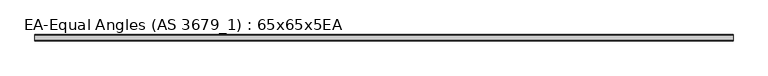
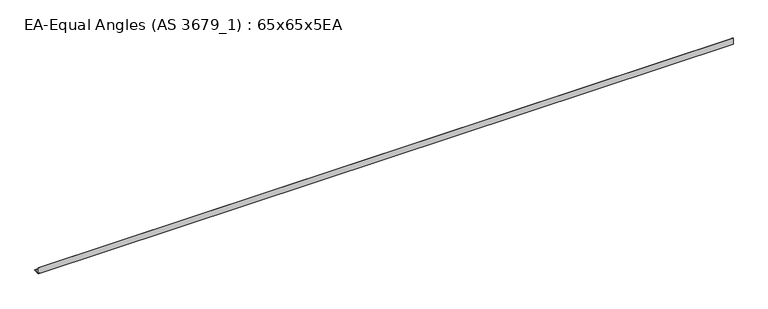
"""IFC4 building model written with IfcOpenShell, lengths in millimetres: beam geometry, EA-Equal Angles (AS 3679_1) : 65x65x5EA."""

from ifc_helpers import new_model, si_unit, point, frame, frame_2d, origin, place, context, project, spatial, polyline, circle_curve, trimmed, segment, composite_curve, outline, extrude, source, transform, mapped, element, save


def ea_equal_angles_as_3679_1_65x65x5ea_b39ffe6c(model_context):
    return source(origin(), model_context, "Body", "SweptSolid", [
        extrude(outline(composite_curve([segment(polyline([(-17.7, -17.7), (-17.7, 47.3), (-15.7, 47.3)]), True, "CONTINUOUS"), segment(trimmed(circle_curve(frame_2d((-15.7, 44.3)), 3.0), [point((-15.7, 47.3))], [point((-12.7, 44.3))], False, "CARTESIAN"), True, "CONTINUOUS"), segment(polyline([(-12.7, 44.3), (-12.7, -6.7)]), True, "CONTINUOUS"), segment(trimmed(circle_curve(frame_2d((-6.7, -6.7)), 6.0), [point((-12.7, -6.7))], [point((-6.7, -12.7))], True, "CARTESIAN"), True, "CONTINUOUS"), segment(polyline([(-6.7, -12.7), (44.3, -12.7)]), True, "CONTINUOUS"), segment(trimmed(circle_curve(frame_2d((44.3, -15.7)), 3.0), [point((44.3, -12.7))], [point((47.3, -15.7))], False, "CARTESIAN"), True, "CONTINUOUS"), segment(polyline([(47.3, -15.7), (47.3, -17.7), (-17.7, -17.7)]), True, "CONTINUOUS")], self_intersect=False)), frame((-3654.15, 0.0, 0.0), z_axis=(1.0, 0.0, 0.0), x_axis=(0.0, 1.0, 0.0)), (0.0, 0.0, 1.0), 7294.3),
    ])


if __name__ == "__main__":
    model = new_model("IFC4")
    model_context = context("Model", 3, world=origin())
    ifc_project = project(units=[si_unit("LENGTHUNIT", "METRE", prefix="MILLI")], contexts=[model_context])
    site = spatial("IfcSite", under=ifc_project)
    building = spatial("IfcBuilding", under=site)
    placement = place(None, origin())
    ea_equal_angles_as_3679_1_65x65x5ea_shape = ea_equal_angles_as_3679_1_65x65x5ea_b39ffe6c(model_context)
    element("IfcBeam", 1, ObjectType="EA-Equal Angles (AS 3679_1) : 65x65x5EA", at=placement, inside=building, context=model_context, shape_type="MappedRepresentation", body=[
        mapped(ea_equal_angles_as_3679_1_65x65x5ea_shape, transform((0.0, 0.0, 0.0), x_axis=(1.0, 0.0, 0.0), y_axis=(0.0, 1.0, 0.0), z_axis=(0.0, 0.0, 1.0))),
    ])
    save(model, "model.ifc")
